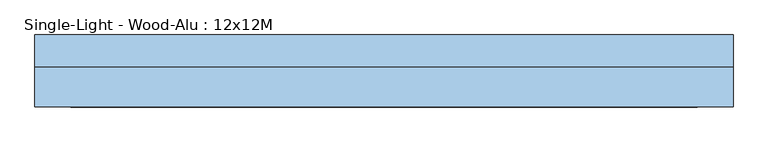
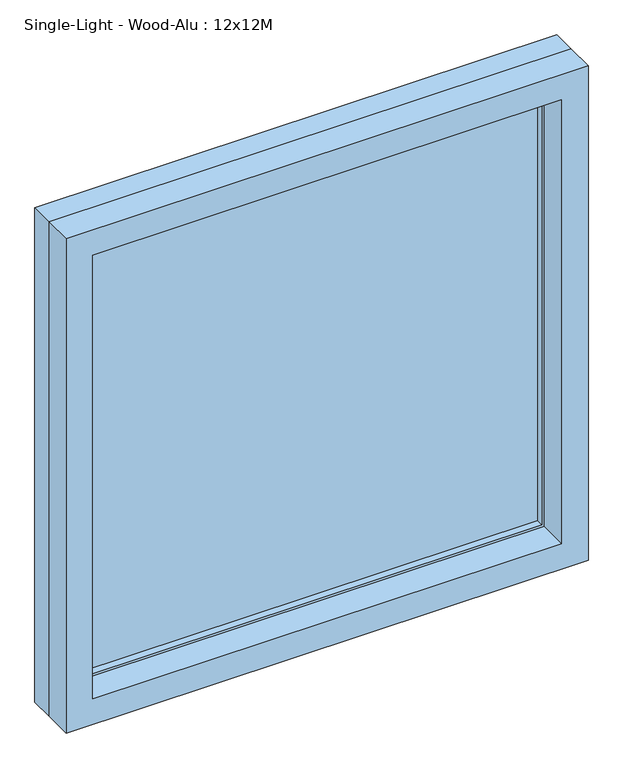
"""IFC4 building model written with IfcOpenShell, lengths in millimetres: window geometry, Single-Light - Wood-Alu : 12x12M."""

from ifc_helpers import new_model, si_unit, frame, origin, place, context, project, spatial, polyline, outline, extrude, source, transform, mapped, element, save


def single_light_wood_alu_12x12m_f83d53a5(model_context):
    return source(origin(), model_context, "Body", "SweptSolid", [
        extrude(outline(polyline([(-539.0, 159.0), (539.0, 159.0), (539.0, 137.0), (-539.0, 137.0), (-539.0, 159.0)])), frame((0.0, 0.0, 867.0), z_axis=(0.0, 0.0, 1.0), x_axis=(1.0, 0.0, 0.0)), (0.0, 0.0, 1.0), 1078.0),
        extrude(outline(polyline([(2012.0, -606.0), (800.0, -606.0), (800.0, 606.0), (2012.0, 606.0), (2012.0, -606.0)]), holes=[polyline([(1945.0, 539.0), (867.0, 539.0), (867.0, -539.0), (1945.0, -539.0), (1945.0, 539.0)])]), frame((0.0, 119.0, 0.0), z_axis=(0.0, 1.0, 0.0), x_axis=(0.0, 0.0, 1.0)), (0.0, 0.0, 1.0), 55.0),
        extrude(outline(polyline([(2012.0, 606.0), (2012.0, -606.0), (800.0, -606.0), (800.0, 606.0), (2012.0, 606.0)]), holes=[polyline([(862.0, 544.0), (862.0, -544.0), (1950.0, -544.0), (1950.0, 544.0), (862.0, 544.0)])]), frame((0.0, 49.0, 0.0), z_axis=(0.0, 1.0, 0.0), x_axis=(0.0, 0.0, 1.0)), (0.0, 0.0, 1.0), 70.0),
    ])


if __name__ == "__main__":
    model = new_model("IFC4")
    model_context = context("Model", 3, world=origin())
    ifc_project = project(units=[si_unit("LENGTHUNIT", "METRE", prefix="MILLI")], contexts=[model_context])
    site = spatial("IfcSite", under=ifc_project)
    building = spatial("IfcBuilding", under=site)
    placement = place(None, origin())
    single_light_wood_alu_12x12m_shape = single_light_wood_alu_12x12m_f83d53a5(model_context)
    element("IfcWindow", 1, ObjectType="Single-Light - Wood-Alu : 12x12M", at=placement, inside=building, context=model_context, shape_type="MappedRepresentation", body=[
        mapped(single_light_wood_alu_12x12m_shape, transform((0.0, 0.0, 0.0), x_axis=(1.0, 0.0, 0.0), y_axis=(0.0, 1.0, 0.0), z_axis=(0.0, 0.0, 1.0))),
    ])
    save(model, "model.ifc")
